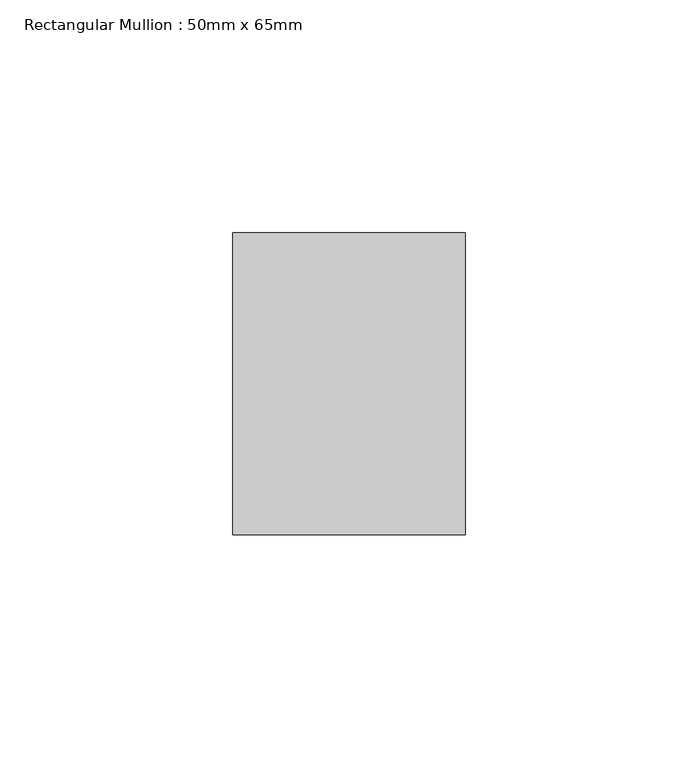
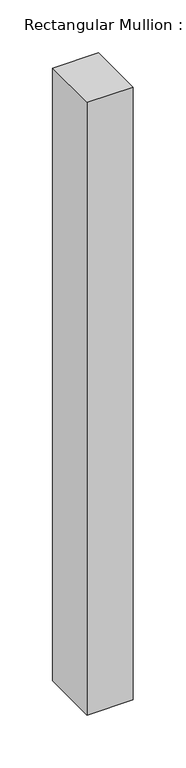
"""IFC4 building model written with IfcOpenShell, lengths in millimetres: member geometry, Rectangular Mullion : 50mm x 65mm."""

from ifc_helpers import new_model, si_unit, frame, origin, place, context, project, spatial, polyline, outline, extrude, source, transform, mapped, element, save


def rectangular_mullion_50mm_x_65mm_6ce42921(model_context):
    return source(origin(), model_context, "Body", "SweptSolid", [
        extrude(outline(polyline([(25.0, 32.5), (25.0, -32.5), (-25.0, -32.5), (-25.0, 32.5), (25.0, 32.5)])), frame((0.0, 0.0, -705.7730667), z_axis=(0.0, 0.0, 1.0), x_axis=(1.0, 0.0, 0.0)), (0.0, 0.0, 1.0), 705.7730667),
    ])


if __name__ == "__main__":
    model = new_model("IFC4")
    model_context = context("Model", 3, world=origin())
    ifc_project = project(units=[si_unit("LENGTHUNIT", "METRE", prefix="MILLI")], contexts=[model_context])
    site = spatial("IfcSite", under=ifc_project)
    building = spatial("IfcBuilding", under=site)
    placement = place(None, origin())
    rectangular_mullion_50mm_x_65mm_shape = rectangular_mullion_50mm_x_65mm_6ce42921(model_context)
    element("IfcMember", 1, ObjectType="Rectangular Mullion : 50mm x 65mm", at=placement, inside=building, context=model_context, shape_type="MappedRepresentation", body=[
        mapped(rectangular_mullion_50mm_x_65mm_shape, transform((0.0, 0.0, 0.0), x_axis=(1.0, 0.0, 0.0), y_axis=(0.0, 1.0, 0.0), z_axis=(0.0, 0.0, 1.0))),
    ])
    save(model, "model.ifc")
